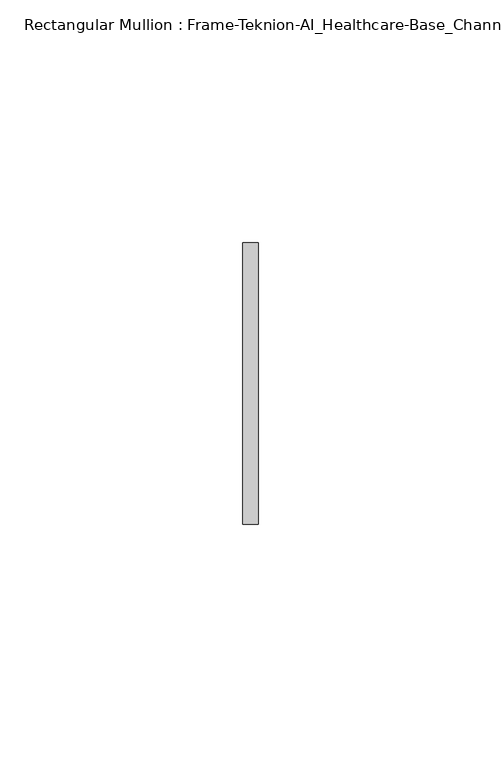
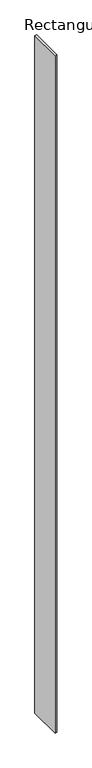
"""IFC4 building model written with IfcOpenShell, lengths in millimetres: member geometry, Rectangular Mullion : Frame-Teknion-AI_Healthcare-Base_Channel."""

from ifc_helpers import new_model, si_unit, frame, origin, place, context, project, spatial, polyline, outline, extrude, source, transform, mapped, element, save


def rectangular_mullion_frame_teknion_ai_healthcare_base_channel_b69eb93e(model_context):
    return source(origin(), model_context, "Body", "SweptSolid", [
        extrude(outline(polyline([(0.0, 29.0214844), (0.0, -29.0214844), (-3.175, -29.0214844), (-3.175, 29.0214844), (0.0, 29.0214844)])), frame((0.0, 0.0, -1193.8), z_axis=(0.0, 0.0, 1.0), x_axis=(1.0, 0.0, 0.0)), (0.0, 0.0, 1.0), 1193.8),
    ])


if __name__ == "__main__":
    model = new_model("IFC4")
    model_context = context("Model", 3, world=origin())
    ifc_project = project(units=[si_unit("LENGTHUNIT", "METRE", prefix="MILLI")], contexts=[model_context])
    site = spatial("IfcSite", under=ifc_project)
    building = spatial("IfcBuilding", under=site)
    placement = place(None, origin())
    rectangular_mullion_frame_teknion_ai_healthcare_base_channel_shape = rectangular_mullion_frame_teknion_ai_healthcare_base_channel_b69eb93e(model_context)
    element("IfcMember", 1, ObjectType="Rectangular Mullion : Frame-Teknion-AI_Healthcare-Base_Channel", at=placement, inside=building, context=model_context, shape_type="MappedRepresentation", body=[
        mapped(rectangular_mullion_frame_teknion_ai_healthcare_base_channel_shape, transform((0.0, 0.0, 0.0), x_axis=(1.0, 0.0, 0.0), y_axis=(0.0, 1.0, 0.0), z_axis=(0.0, 0.0, 1.0))),
    ])
    save(model, "model.ifc")
